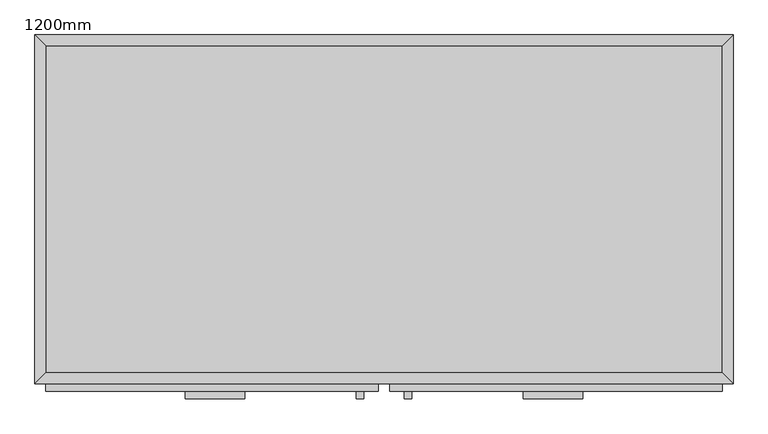
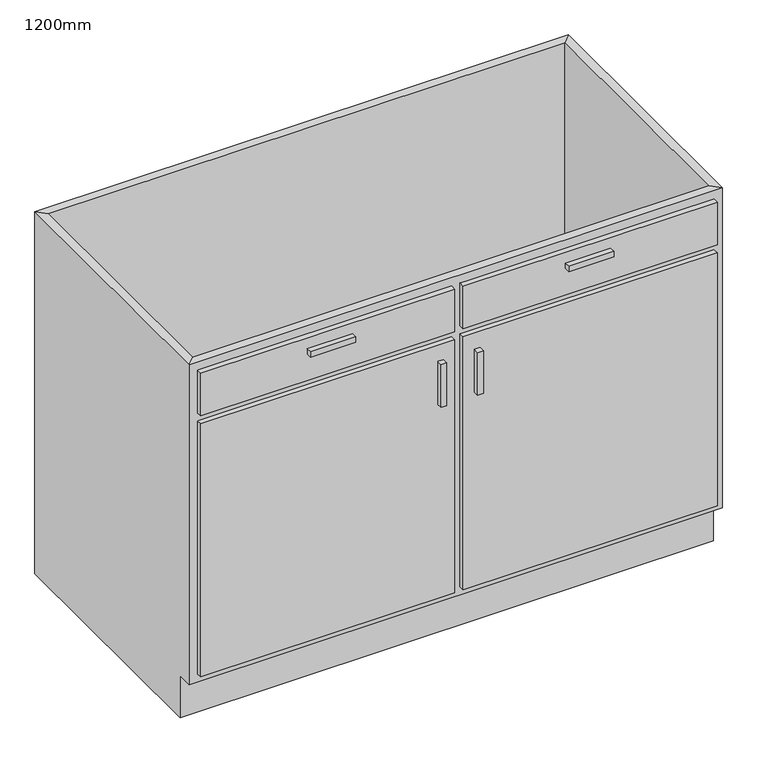
"""IFC4 building model written with IfcOpenShell, lengths in millimetres: furniture geometry, 1200mm."""

from ifc_helpers import new_model, si_unit, frame, origin, place, context, project, spatial, polyline, outline, extrude, faceted_brep, source, transform, mapped, element, save


def furniture_1200mm_ed21b787(model_context):
    return source(origin(), model_context, "Body", "SolidModel", [
        faceted_brep([(599.6877049, -580.95, 860.0), (599.6877049, -580.95, 100.0), (-562.2122951, -580.95, 100.0), (-562.2122951, -580.95, 860.0), (-581.2622951, -600.0, 860.0), (618.7377049, -600.0, 860.0), (-581.2622951, -600.0, 100.0), (618.7377049, -600.0, 100.0), (-562.2122951, -565.0, 100.0), (-562.2122951, -19.05, 100.0), (-562.2122951, -19.05, 860.0), (-581.2622951, 0.0, 860.0), (-581.2622951, 0.0, 0.0), (-581.2622951, -565.0, 0.0), (-581.2622951, -565.0, 100.0), (599.6877049, -19.05, 100.0), (599.6877049, -19.05, 860.0), (618.7377049, 0.0, 860.0), (618.7377049, 0.0, 0.0), (599.6877049, -565.0, 100.0), (618.7377049, -565.0, 100.0), (618.7377049, -565.0, 0.0)], [[[0, 1, 2, 3]], [[0, 3, 4, 5]], [[5, 4, 6, 7]], [[2, 1, 7, 6]], [[3, 2, 8, 9, 10]], [[4, 3, 10, 11]], [[6, 4, 11, 12, 13, 14]], [[2, 6, 14, 8]], [[10, 9, 15, 16]], [[11, 10, 16, 17]], [[12, 11, 17, 18]], [[1, 0, 16, 15, 19]], [[0, 5, 17, 16]], [[5, 7, 20, 21, 18, 17]], [[7, 1, 19, 20]], [[8, 19, 15, 9]], [[18, 21, 13, 12]], [[13, 21, 20, 19, 8, 14]]]),
        extrude(outline(polyline([(-220.9372951, -625.4), (-322.5372951, -625.4), (-322.5372951, -612.7), (-220.9372951, -612.7), (-220.9372951, -625.4)])), frame((0.0, 0.0, 802.85), z_axis=(0.0, 0.0, 1.0), x_axis=(1.0, 0.0, 0.0)), (0.0, 0.0, 1.0), 12.7),
        extrude(outline(polyline([(360.0127049, -625.4), (258.4127049, -625.4), (258.4127049, -612.7), (360.0127049, -612.7), (360.0127049, -625.4)])), frame((0.0, 0.0, 802.85), z_axis=(0.0, 0.0, 1.0), x_axis=(1.0, 0.0, 0.0)), (0.0, 0.0, 1.0), 12.7),
        extrude(outline(polyline([(-16.1872951, -625.4), (-28.8872951, -625.4), (-28.8872951, -612.7), (-16.1872951, -612.7), (-16.1872951, -625.4)])), frame((0.0, 0.0, 580.6), z_axis=(0.0, 0.0, 1.0), x_axis=(1.0, 0.0, 0.0)), (0.0, 0.0, 1.0), 101.6),
        extrude(outline(polyline([(66.3627049, -625.4), (53.6627049, -625.4), (53.6627049, -612.7), (66.3627049, -612.7), (66.3627049, -625.4)])), frame((0.0, 0.0, 580.6), z_axis=(0.0, 0.0, 1.0), x_axis=(1.0, 0.0, 0.0)), (0.0, 0.0, 1.0), 101.6),
        extrude(outline(polyline([(9.2127049, -612.7), (-562.2122951, -612.7), (-562.2122951, -600.0), (9.2127049, -600.0), (9.2127049, -612.7)])), frame((0.0, 0.0, 739.35), z_axis=(0.0, 0.0, 1.0), x_axis=(1.0, 0.0, 0.0)), (0.0, 0.0, 1.0), 101.6),
        extrude(outline(polyline([(599.6877049, -612.7), (28.2627049, -612.7), (28.2627049, -600.0), (599.6877049, -600.0), (599.6877049, -612.7)])), frame((0.0, 0.0, 739.35), z_axis=(0.0, 0.0, 1.0), x_axis=(1.0, 0.0, 0.0)), (0.0, 0.0, 1.0), 101.6),
        extrude(outline(polyline([(9.2127049, -612.7), (-562.2122951, -612.7), (-562.2122951, -600.0), (9.2127049, -600.0), (9.2127049, -612.7)])), frame((0.0, 0.0, 119.05), z_axis=(0.0, 0.0, 1.0), x_axis=(1.0, 0.0, 0.0)), (0.0, 0.0, 1.0), 601.25),
        extrude(outline(polyline([(599.6877049, -612.7), (28.2627049, -612.7), (28.2627049, -600.0), (599.6877049, -600.0), (599.6877049, -612.7)])), frame((0.0, 0.0, 119.05), z_axis=(0.0, 0.0, 1.0), x_axis=(1.0, 0.0, 0.0)), (0.0, 0.0, 1.0), 601.25),
        extrude(outline(polyline([(599.6877049, -19.05), (599.6877049, -580.95), (-562.2122951, -580.95), (-562.2122951, -19.05), (599.6877049, -19.05)])), frame((0.0, 0.0, 100.0), z_axis=(0.0, 0.0, 1.0), x_axis=(1.0, 0.0, 0.0)), (0.0, 0.0, 1.0), 19.05),
    ])


if __name__ == "__main__":
    model = new_model("IFC4")
    model_context = context("Model", 3, world=origin())
    ifc_project = project(units=[si_unit("LENGTHUNIT", "METRE", prefix="MILLI")], contexts=[model_context])
    site = spatial("IfcSite", under=ifc_project)
    building = spatial("IfcBuilding", under=site)
    placement = place(None, origin())
    furniture_1200mm_shape = furniture_1200mm_ed21b787(model_context)
    element("IfcFurniture", 1, ObjectType="1200mm", at=placement, inside=building, context=model_context, shape_type="MappedRepresentation", body=[
        mapped(furniture_1200mm_shape, transform((0.0, 0.0, 0.0), x_axis=(1.0, 0.0, 0.0), y_axis=(0.0, 1.0, 0.0), z_axis=(0.0, 0.0, 1.0))),
    ])
    save(model, "model.ifc")
